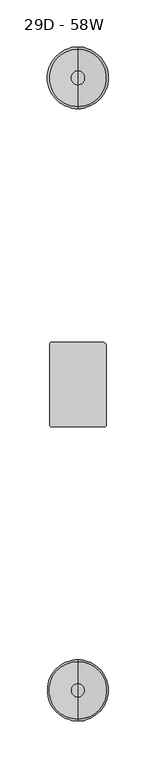
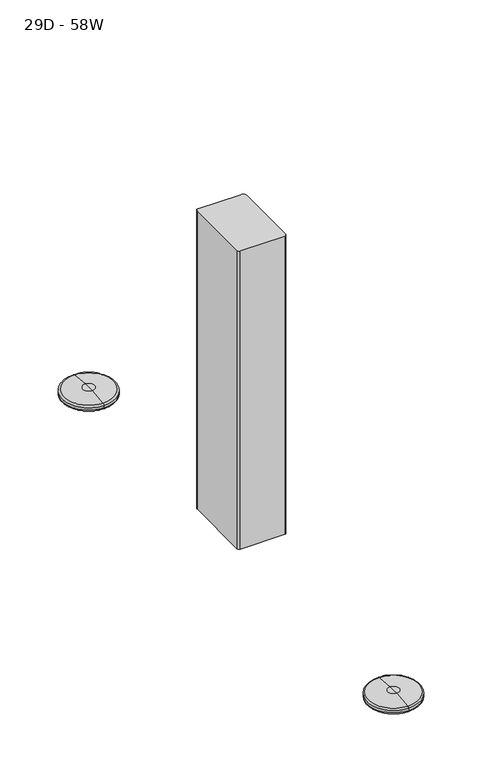
"""IFC4 building model written with IfcOpenShell, lengths in millimetres: furniture geometry, 29D - 58W."""

from ifc_helpers import new_model, si_unit, point, frame, frame_2d, origin, place, context, project, spatial, polyline, circle_curve, ellipse_curve, trimmed, segment, composite_curve, outline, extrude, source, transform, mapped, element, save
from ifc_brep_helpers import plane_surface, cylinder_surface, revolved_surface, advanced_brep


def furniture_29d_58w_76d85d6a(model_context):
    return source(origin(), model_context, "Body", "SolidModel", [
        advanced_brep(
        [(-832.6202029, 204.5421606, 0.0), (-832.6202029, 265.4578394, 0.0), (-832.6202029, 235.0, 0.0), (-832.6202029, 202.5079576, 2.034203), (-832.6202029, 267.4920424, 2.034203), (-832.6202029, 202.5079576, 5.0424709), (-832.6202029, 267.4920424, 5.0424709), (-832.6202029, 204.5272479, 7.0617612), (-832.6202029, 265.4727521, 7.0617612), (-832.6202029, 227.4502426, 9.288914), (-832.6202029, 242.5497574, 9.288914), (-832.6202029, 235.0, 9.288914)],
        [
            (0, 1, circle_curve(frame((-832.6202029, 235.0, 0.0), z_axis=(0.0, 0.0, -1.0), x_axis=(0.0, 1.0, 0.0)), 30.4578394)),
            (1, 2),
            (2, 0),
            (1, 0, circle_curve(frame((-832.6202029, 235.0, 0.0), z_axis=(0.0, 0.0, -1.0), x_axis=(0.0, 1.0, 0.0)), 30.4578394)),
            (3, 4, circle_curve(frame((-832.6202029, 235.0, 2.034203), z_axis=(0.0, 0.0, -1.0), x_axis=(0.0, 1.0, 0.0)), 32.4920424)),
            (4, 1, circle_curve(frame((-832.6202029, 265.4578394, 2.034203), z_axis=(-1.0, 0.0, 0.0), x_axis=(0.0, 1.0, 0.0)), 2.034203)),
            (0, 3, circle_curve(frame((-832.6202029, 204.5421606, 2.034203), z_axis=(-1.0, 0.0, 0.0), x_axis=(0.0, -1.0, 0.0)), 2.034203)),
            (4, 3, circle_curve(frame((-832.6202029, 235.0, 2.034203), z_axis=(0.0, 0.0, -1.0), x_axis=(0.0, 1.0, 0.0)), 32.4920424)),
            (5, 6, circle_curve(frame((-832.6202029, 235.0, 5.0424709), z_axis=(0.0, 0.0, -1.0), x_axis=(0.0, 1.0, 0.0)), 32.4920424)),
            (6, 4),
            (3, 5),
            (6, 5, circle_curve(frame((-832.6202029, 235.0, 5.0424709), z_axis=(0.0, 0.0, -1.0), x_axis=(0.0, 1.0, 0.0)), 32.4920424)),
            (7, 8, circle_curve(frame((-832.6202029, 235.0, 7.0617612), z_axis=(0.0, 0.0, -1.0), x_axis=(0.0, 1.0, 0.0)), 30.4727521)),
            (8, 6, circle_curve(frame((-832.6202029, 265.4727521, 5.0424709), z_axis=(-1.0, 0.0, 0.0), x_axis=(0.0, 1.0, 0.0)), 2.0192902)),
            (5, 7, circle_curve(frame((-832.6202029, 204.5272479, 5.0424709), z_axis=(-1.0, 0.0, 0.0), x_axis=(0.0, -1.0, 0.0)), 2.0192902)),
            (8, 7, circle_curve(frame((-832.6202029, 235.0, 7.0617612), z_axis=(0.0, 0.0, -1.0), x_axis=(0.0, 1.0, 0.0)), 30.4727521)),
            (9, 10, circle_curve(frame((-832.6202029, 235.0, 9.288914), z_axis=(0.0, 0.0, -1.0), x_axis=(0.0, 1.0, 0.0)), 7.5497574)),
            (10, 8),
            (7, 9),
            (10, 9, circle_curve(frame((-832.6202029, 235.0, 9.288914), z_axis=(0.0, 0.0, -1.0), x_axis=(0.0, 1.0, 0.0)), 7.5497574)),
            (11, 10),
            (9, 11),
        ],
        [
            plane_surface(frame((-832.6202029, 235.0, 0.0), z_axis=(0.0, 0.0, -1.0), x_axis=(0.0, 1.0, 0.0))),
            revolved_surface(trimmed(ellipse_curve(frame((-832.6202029, 265.4578394, 2.034203), z_axis=(1.0, 0.0, 0.0), x_axis=(0.0, 1.0, 0.0)), 2.034203, 2.034203), [point((-832.6202029, 265.4578394, 0.0))], [point((-832.6202029, 267.4920424, 2.034203))], True, "CARTESIAN"), (-832.6202029, 235.0, 13.4607192), (0.0, 0.0, 1.0)),
            cylinder_surface(frame((-832.6202029, 235.0, 13.4607192), z_axis=(0.0, 0.0, 1.0), x_axis=(0.0, 1.0, 0.0)), 32.4920424),
            revolved_surface(trimmed(ellipse_curve(frame((-832.6202029, 265.4727521, 5.0424709), z_axis=(1.0, 0.0, 0.0), x_axis=(0.0, 1.0, 0.0)), 2.0192902, 2.0192902), [point((-832.6202029, 267.4920424, 5.0424709))], [point((-832.6202029, 265.4727521, 7.0617612))], True, "CARTESIAN"), (-832.6202029, 235.0, 13.4607192), (0.0, 0.0, 1.0)),
            revolved_surface(polyline([(-832.6202029, 265.4727521, 7.0617612), (-832.6202029, 242.5497574, 9.288914)]), (-832.6202029, 235.0, 13.4607192), (0.0, 0.0, 1.0)),
            plane_surface(frame((-832.6202029, 235.0, 9.288914), z_axis=(0.0, 0.0, 1.0), x_axis=(0.0, 1.0, 0.0))),
        ],
        [
            (0, [[1, 2, 3]]),
            (0, [[4, -3, -2]]),
            (1, [[5, 6, -1, 7]]),
            (1, [[8, -7, -4, -6]]),
            (2, [[9, 10, -5, 11]]),
            (2, [[12, -11, -8, -10]]),
            (3, [[13, 14, -9, 15]]),
            (3, [[16, -15, -12, -14]]),
            (4, [[17, 18, -13, 19]]),
            (4, [[20, -19, -16, -18]]),
            (5, [[21, -17, 22]]),
            (5, [[-22, -20, -21]]),
        ],
    ),
        advanced_brep(
        [(-832.6202029, -444.1066977, 0.0), (-832.6202029, -383.5878939, 0.0), (-832.6202029, -413.8472958, 0.0), (-832.6202029, -446.1409006, 2.034203), (-832.6202029, -381.5536909, 2.034203), (-832.6202029, -446.1409006, 5.0299055), (-832.6202029, -381.5536909, 5.0299055), (-832.6202029, -421.093726, 9.3437924), (-832.6202029, -406.6008656, 9.3437924), (-832.6202029, -383.3822532, 7.048173), (-832.6202029, -444.3123383, 7.048173), (-832.6202029, -413.8472958, 9.3437924)],
        [
            (0, 1, circle_curve(frame((-832.6202029, -413.8472958, 0.0), z_axis=(0.0, 0.0, -1.0), x_axis=(0.0, 1.0, 0.0)), 30.2594019)),
            (1, 2),
            (2, 0),
            (1, 0, circle_curve(frame((-832.6202029, -413.8472958, 0.0), z_axis=(0.0, 0.0, -1.0), x_axis=(0.0, 1.0, 0.0)), 30.2594019)),
            (3, 4, circle_curve(frame((-832.6202029, -413.8472958, 2.034203), z_axis=(0.0, 0.0, -1.0), x_axis=(0.0, 1.0, 0.0)), 32.2936049)),
            (4, 1, circle_curve(frame((-832.6202029, -383.5878939, 2.034203), z_axis=(-1.0, 0.0, 0.0), x_axis=(0.0, 1.0, 0.0)), 2.034203)),
            (0, 3, circle_curve(frame((-832.6202029, -444.1066977, 2.034203), z_axis=(-1.0, 0.0, 0.0), x_axis=(0.0, -1.0, 0.0)), 2.034203)),
            (4, 3, circle_curve(frame((-832.6202029, -413.8472958, 2.034203), z_axis=(0.0, 0.0, -1.0), x_axis=(0.0, 1.0, 0.0)), 32.2936049)),
            (5, 6, circle_curve(frame((-832.6202029, -413.8472958, 5.0299055), z_axis=(0.0, 0.0, -1.0), x_axis=(0.0, 1.0, 0.0)), 32.2936049)),
            (6, 4),
            (3, 5),
            (6, 5, circle_curve(frame((-832.6202029, -413.8472958, 5.0299055), z_axis=(0.0, 0.0, -1.0), x_axis=(0.0, 1.0, 0.0)), 32.2936049)),
            (7, 8, circle_curve(frame((-832.6202029, -413.8472958, 9.3437924), z_axis=(0.0, 0.0, -1.0), x_axis=(0.0, 1.0, 0.0)), 7.2464302)),
            (8, 9),
            (9, 10, circle_curve(frame((-832.6202029, -413.8472958, 7.048173), z_axis=(0.0, 0.0, 1.0), x_axis=(0.0, 1.0, 0.0)), 30.4650426)),
            (10, 7),
            (8, 7, circle_curve(frame((-832.6202029, -413.8472958, 9.3437924), z_axis=(0.0, 0.0, -1.0), x_axis=(0.0, 1.0, 0.0)), 7.2464302)),
            (10, 9, circle_curve(frame((-832.6202029, -413.8472958, 7.048173), z_axis=(0.0, 0.0, 1.0), x_axis=(0.0, 1.0, 0.0)), 30.4650426)),
            (11, 8),
            (7, 11),
            (9, 6, circle_curve(frame((-832.6202029, -383.5817989, 5.0299055), z_axis=(-1.0, 0.0, 0.0), x_axis=(0.0, 1.0, 0.0)), 2.028108)),
            (5, 10, circle_curve(frame((-832.6202029, -444.1127927, 5.0299055), z_axis=(-1.0, 0.0, 0.0), x_axis=(0.0, -1.0, 0.0)), 2.028108)),
        ],
        [
            plane_surface(frame((-832.6202029, -413.8472958, 0.0), z_axis=(0.0, 0.0, -1.0), x_axis=(0.0, 1.0, 0.0))),
            revolved_surface(trimmed(ellipse_curve(frame((-832.6202029, -383.5878939, 2.034203), z_axis=(1.0, 0.0, 0.0), x_axis=(0.0, 1.0, 0.0)), 2.034203, 2.034203), [point((-832.6202029, -383.5878939, 0.0))], [point((-832.6202029, -381.5536909, 2.034203))], True, "CARTESIAN"), (-832.6202029, -413.8472958, 11.2335663), (0.0, 0.0, 1.0)),
            cylinder_surface(frame((-832.6202029, -413.8472958, 11.2335663), z_axis=(0.0, 0.0, 1.0), x_axis=(0.0, 1.0, 0.0)), 32.2936049),
            revolved_surface(polyline([(-832.6202029, -383.3822532, 7.048173), (-832.6202029, -406.6008656, 9.3437924)]), (-832.6202029, -413.8472958, 11.2335663), (0.0, 0.0, 1.0)),
            plane_surface(frame((-832.6202029, -413.8472958, 9.3437924), z_axis=(0.0, 0.0, 1.0), x_axis=(0.0, 1.0, 0.0))),
            revolved_surface(trimmed(ellipse_curve(frame((-832.6202029, -383.5817989, 5.0299055), z_axis=(1.0, 0.0, 0.0), x_axis=(0.0, 1.0, 0.0)), 2.028108, 2.028108), [point((-832.6202029, -381.5536909, 5.0299055))], [point((-832.6202029, -383.3822532, 7.048173))], True, "CARTESIAN"), (-832.6202029, -413.8472958, 11.2335663), (0.0, 0.0, 1.0)),
        ],
        [
            (0, [[1, 2, 3]]),
            (0, [[4, -3, -2]]),
            (1, [[5, 6, -1, 7]]),
            (1, [[8, -7, -4, -6]]),
            (2, [[9, 10, -5, 11]]),
            (2, [[12, -11, -8, -10]]),
            (3, [[13, 14, 15, 16]]),
            (3, [[17, -16, 18, -14]]),
            (4, [[19, -13, 20]]),
            (4, [[-20, -17, -19]]),
            (5, [[-15, 21, -9, 22]]),
            (5, [[-18, -22, -12, -21]]),
        ],
    ),
        extrude(outline(composite_curve([segment(polyline([(-862.5031554, -132.3282587), (-862.5031508, -47.6053305)]), True, "CONTINUOUS"), segment(trimmed(circle_curve(frame_2d((-859.8049196, -47.6053305)), 2.6982312), [point((-862.5031508, -47.6053305))], [point((-859.8049196, -44.9070993))], False, "CARTESIAN"), True, "CONTINUOUS"), segment(polyline([(-859.8049196, -44.9070993), (-806.8762966, -44.9070993)]), True, "CONTINUOUS"), segment(trimmed(circle_curve(frame_2d((-806.8762966, -49.2808172)), 4.3737179), [point((-806.8762966, -44.9070993))], [point((-802.5025787, -49.2808172))], False, "CARTESIAN"), True, "CONTINUOUS"), segment(polyline([(-802.5025787, -49.2808172), (-802.5025787, -132.4537387)]), True, "CONTINUOUS"), segment(trimmed(circle_curve(frame_2d((-805.1032707, -132.302015)), 2.605114), [point((-802.5025787, -132.4537387))], [point((-805.1032707, -134.907129))], False, "CARTESIAN"), True, "CONTINUOUS"), segment(polyline([(-805.1032707, -134.907129), (-859.9242851, -134.907129)]), True, "CONTINUOUS"), segment(trimmed(circle_curve(frame_2d((-859.9242851, -132.3282587)), 2.5788703), [point((-859.9242851, -134.907129))], [point((-862.5031554, -132.3282587))], False, "CARTESIAN"), True, "CONTINUOUS")], self_intersect=False)), frame((0.0, 0.0, 32.9997018), z_axis=(0.0, 0.0, 1.0), x_axis=(1.0, 0.0, 0.0)), (0.0, 0.0, 1.0), 387.555723),
    ])


if __name__ == "__main__":
    model = new_model("IFC4")
    model_context = context("Model", 3, world=origin())
    ifc_project = project(units=[si_unit("LENGTHUNIT", "METRE", prefix="MILLI")], contexts=[model_context])
    site = spatial("IfcSite", under=ifc_project)
    building = spatial("IfcBuilding", under=site)
    placement = place(None, origin())
    furniture_29d_58w_shape = furniture_29d_58w_76d85d6a(model_context)
    element("IfcFurniture", 1, ObjectType="29D - 58W", at=placement, inside=building, context=model_context, shape_type="MappedRepresentation", body=[
        mapped(furniture_29d_58w_shape, transform((0.0, 0.0, 0.0), x_axis=(1.0, 0.0, 0.0), y_axis=(0.0, 1.0, 0.0), z_axis=(0.0, 0.0, 1.0))),
    ])
    save(model, "model.ifc")
